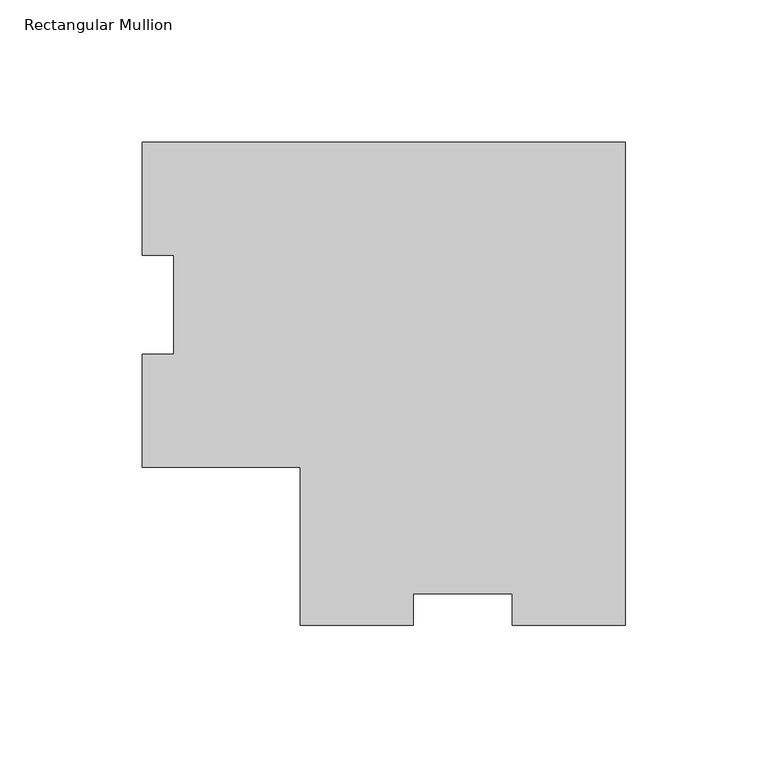
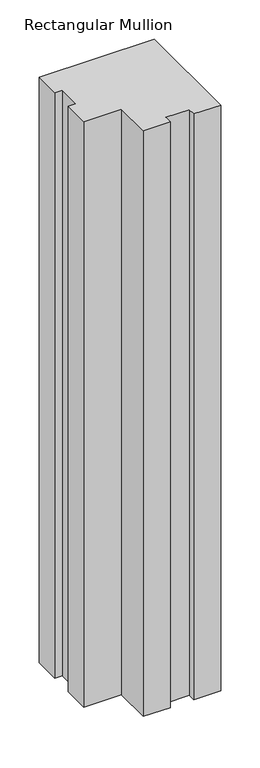
"""IFC4 building model written with IfcOpenShell, lengths in millimetres: member geometry, Rectangular Mullion."""

from ifc_helpers import new_model, si_unit, frame, origin, place, context, project, spatial, polyline, outline, extrude, source, transform, mapped, element, save


def rectangular_mullion_f8ae8757(model_context):
    return source(origin(), model_context, "Body", "SweptSolid", [
        extrude(outline(polyline([(0.0, 114.271425), (0.0, -55.591075), (-39.6748, -55.591075), (-39.6748, -44.478575), (-74.6252, -44.478575), (-74.6252, -55.591075), (-114.3, -55.591075), (-114.3, -0.028575), (-169.8625, -0.028575), (-169.8625, 39.646225), (-158.75, 39.646225), (-158.75, 74.596625), (-169.8625, 74.596625), (-169.8625, 114.271425), (0.0, 114.271425)])), frame((0.0, 0.0, -914.4), z_axis=(0.0, 0.0, 1.0), x_axis=(1.0, 0.0, 0.0)), (0.0, 0.0, 1.0), 914.4),
    ])


if __name__ == "__main__":
    model = new_model("IFC4")
    model_context = context("Model", 3, world=origin())
    ifc_project = project(units=[si_unit("LENGTHUNIT", "METRE", prefix="MILLI")], contexts=[model_context])
    site = spatial("IfcSite", under=ifc_project)
    building = spatial("IfcBuilding", under=site)
    placement = place(None, origin())
    rectangular_mullion_shape = rectangular_mullion_f8ae8757(model_context)
    element("IfcMember", 1, ObjectType="Rectangular Mullion", at=placement, inside=building, context=model_context, shape_type="MappedRepresentation", body=[
        mapped(rectangular_mullion_shape, transform((0.0, 0.0, 0.0), x_axis=(1.0, 0.0, 0.0), y_axis=(0.0, 1.0, 0.0), z_axis=(0.0, 0.0, 1.0))),
    ])
    save(model, "model.ifc")
